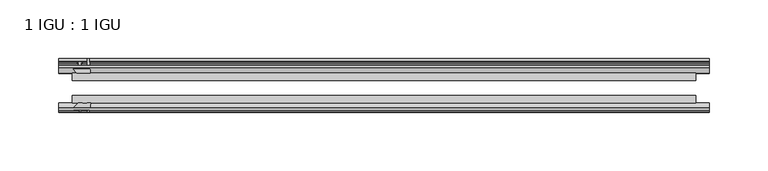
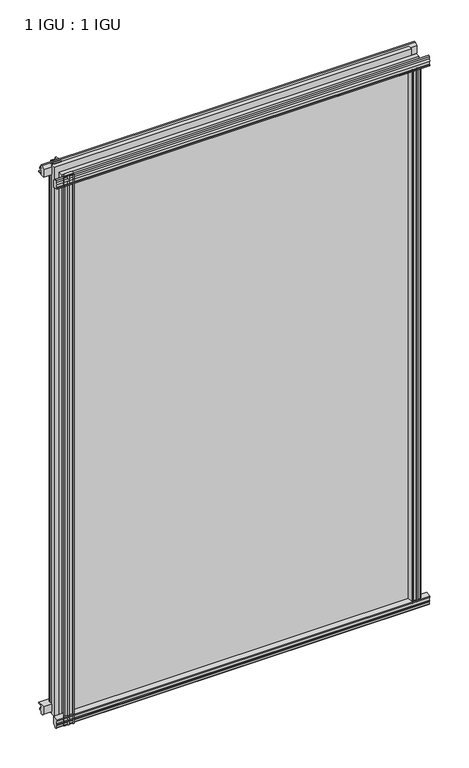
"""IFC4 building model written with IfcOpenShell, lengths in millimetres: plate geometry, 1 IGU : 1 IGU."""

from ifc_helpers import new_model, si_unit, point, frame, frame_2d, origin, origin_with_axes, place, context, project, spatial, polyline, circle_curve, trimmed, segment, composite_curve, outline, extrude, source, transform, mapped, element, save


def plate_1_igu_1_igu_4e5d2d49(model_context):
    return source(origin(), model_context, "Body", "SweptSolid", [
        extrude(outline(polyline([(-24.9039062, 2.5763839), (-12.2039062, 1.5739665), (-12.2039062, 0.0), (-18.5539062, 0.0), (-18.5539062, -4.953), (-16.254502, -5.5691235), (-16.6301757, -4.1670901), (-15.7714677, -3.937), (-15.1249062, -6.35), (-15.7714677, -8.763), (-16.6301757, -8.5329099), (-16.254502, -7.1308765), (-18.5539062, -7.747), (-18.5539062, -12.7), (-20.5859062, -12.7), (-24.9039062, -9.1036931), (-24.9039062, 2.5763839)])), frame((-278.0153585, 0.0, 0.0), z_axis=(1.0, 0.0, 0.0), x_axis=(0.0, 1.0, 0.0)), (0.0, 0.0, 1.0), 556.030717),
        extrude(outline(composite_curve([segment(polyline([(-58.2287402, 1.5687054), (-50.3039062, 3.0983599), (-50.3039062, -7.92383), (-54.4858806, -12.1058044)]), True, "CONTINUOUS"), segment(trimmed(circle_curve(frame_2d((-55.3839062, -11.2077788)), 1.27), [point((-54.4858806, -12.1058044))], [point((-56.6539062, -11.2077788))], False, "CARTESIAN"), True, "CONTINUOUS"), segment(polyline([(-56.6539062, -11.2077788), (-56.6539062, -8.0327788), (-58.1332022, -5.4488186), (-56.6539062, -5.1879788), (-56.6539062, 0.2222212), (-58.2287402, 0.0), (-58.2287402, 1.5687054)]), True, "CONTINUOUS")], self_intersect=False)), frame((-278.0153585, 0.0, 0.0), z_axis=(1.0, 0.0, 0.0), x_axis=(0.0, 1.0, 0.0)), (0.0, 0.0, 1.0), 556.030717),
        extrude(outline(polyline([(-18.5539063, 845.956525), (-16.254502, 845.3404015), (-16.6301757, 846.7424349), (-15.7714677, 846.972525), (-15.1249063, 844.559525), (-15.7714677, 842.146525), (-16.6301757, 842.3766151), (-16.254502, 843.7786485), (-18.5539063, 843.162525), (-18.5539063, 838.209525), (-12.2039062, 838.209525), (-12.2039062, 836.6355585), (-24.9039063, 835.6331411), (-24.9039063, 847.3132181), (-20.5859063, 850.909525), (-18.5539063, 850.909525), (-18.5539063, 845.956525)])), frame((-278.0153585, 0.0, 0.0), z_axis=(1.0, 0.0, 0.0), x_axis=(0.0, 1.0, 0.0)), (0.0, 0.0, 1.0), 556.030717),
        extrude(outline(composite_curve([segment(polyline([(-50.3039063, 846.133355), (-50.3039063, 835.1111651), (-58.2287402, 836.6408196), (-58.2287402, 838.209525), (-56.6539063, 837.9873038), (-56.6539063, 843.3975038), (-58.1332023, 843.6583436), (-56.6539063, 846.2423038), (-56.6539063, 849.4173038)]), True, "CONTINUOUS"), segment(trimmed(circle_curve(frame_2d((-55.3839063, 849.4173038)), 1.27), [point((-56.6539063, 849.4173038))], [point((-54.4858806, 850.3153294))], False, "CARTESIAN"), True, "CONTINUOUS"), segment(polyline([(-54.4858806, 850.3153294), (-50.3039063, 846.133355)]), True, "CONTINUOUS")], self_intersect=False)), frame((-278.0153585, 0.0, 0.0), z_axis=(1.0, 0.0, 0.0), x_axis=(0.0, 1.0, 0.0)), (0.0, 0.0, 1.0), 556.030717),
        extrude(outline(composite_curve([segment(polyline([(251.7225145, -57.3876965), (250.3551986, -50.3039063), (261.3773885, -50.3039063), (265.5593629, -54.4858806)]), True, "CONTINUOUS"), segment(trimmed(circle_curve(frame_2d((264.6613373, -55.3839062)), 1.27), [point((265.5593629, -54.4858806))], [point((264.6613373, -56.6539062))], False, "CARTESIAN"), True, "CONTINUOUS"), segment(polyline([(264.6613373, -56.6539062), (261.4863373, -56.6539063), (258.9023771, -58.1332023), (258.6415373, -56.6539063), (253.2313373, -56.6539063), (253.4535585, -58.2287402), (252.4892377, -58.2014026)]), True, "CONTINUOUS"), segment(trimmed(circle_curve(frame_2d((252.7233373, -57.2127402)), 1.016), [point((252.4892377, -58.2014026))], [point((251.7225145, -57.3876965))], False, "CARTESIAN"), True, "CONTINUOUS")], self_intersect=False)), origin_with_axes(), (0.0, 0.0, 1.0), 838.6064),
        extrude(outline(polyline([(258.4065585, -18.5539062), (259.022682, -16.254502), (257.6206486, -16.6301757), (257.3905585, -15.7714677), (259.8035585, -15.1249062), (262.2165585, -15.7714677), (261.9864684, -16.6301757), (260.584435, -16.254502), (261.2005585, -18.5539062), (266.1535585, -18.5539062), (266.1535585, -20.5859063), (262.5572516, -24.9039063), (250.8771746, -24.9039063), (251.8795919, -12.2039062), (253.4535585, -12.2039062), (253.4535585, -18.5539062), (258.4065585, -18.5539062)])), origin_with_axes(), (0.0, 0.0, 1.0), 838.6064),
        extrude(outline(composite_curve([segment(polyline([(-261.4863373, -56.6539062), (-264.6613373, -56.6539062)]), True, "CONTINUOUS"), segment(trimmed(circle_curve(frame_2d((-264.6613373, -55.3839062)), 1.27), [point((-264.6613373, -56.6539062))], [point((-265.5593629, -54.4858806))], False, "CARTESIAN"), True, "CONTINUOUS"), segment(polyline([(-265.5593629, -54.4858806), (-261.3773885, -50.3039062), (-257.707843, -50.3039062)]), True, "CONTINUOUS"), segment(trimmed(circle_curve(frame_2d((-255.6443373, -46.3669062)), 4.445), [point((-257.707843, -50.3039062))], [point((-253.5808315, -50.3039062))], True, "CARTESIAN"), True, "CONTINUOUS"), segment(polyline([(-253.5808315, -50.3039062), (-250.3551986, -50.3039062), (-251.884853, -58.2287402), (-253.4535585, -58.2287402), (-253.2313373, -56.6539062), (-258.6415373, -56.6539062), (-258.9023771, -58.1332022), (-261.4863373, -56.6539062)]), True, "CONTINUOUS")], self_intersect=False)), frame((0.0, 0.0, -12.7), z_axis=(0.0, 0.0, 1.0), x_axis=(1.0, 0.0, 0.0)), (0.0, 0.0, 1.0), 863.609525),
        extrude(outline(polyline([(-250.8771746, -24.9039062), (-262.5572516, -24.9039062), (-266.1535585, -20.5859062), (-266.1535585, -18.5539062), (-261.2005585, -18.5539062), (-260.584435, -16.254502), (-261.9864684, -16.6301757), (-262.2165585, -15.7714677), (-259.8035585, -15.1249062), (-257.3905585, -15.7714677), (-257.6206486, -16.6301757), (-259.022682, -16.254502), (-258.4065585, -18.5539062), (-253.4535585, -18.5539062), (-253.4535585, -12.2039062), (-251.8795919, -12.2039062), (-250.8771746, -24.9039062)])), frame((0.0, 0.0, -12.7), z_axis=(0.0, 0.0, 1.0), x_axis=(1.0, 0.0, 0.0)), (0.0, 0.0, 1.0), 863.609525),
        extrude(outline(polyline([(266.1535585, -24.9039062), (266.1535585, -31.2031063), (-266.1535585, -31.2031063), (-266.1535585, -24.9039062), (266.1535585, -24.9039062)])), frame((0.0, 0.0, -12.7), z_axis=(0.0, 0.0, 1.0), x_axis=(1.0, 0.0, 0.0)), (0.0, 0.0, 1.0), 863.609525),
        extrude(outline(polyline([(-266.1535585, -44.0047063), (266.1535585, -44.0047063), (266.1535585, -50.3039062), (-266.1535585, -50.3039062), (-266.1535585, -44.0047063)])), frame((0.0, 0.0, -12.7), z_axis=(0.0, 0.0, 1.0), x_axis=(1.0, 0.0, 0.0)), (0.0, 0.0, 1.0), 863.609525),
    ])


if __name__ == "__main__":
    model = new_model("IFC4")
    model_context = context("Model", 3, world=origin())
    ifc_project = project(units=[si_unit("LENGTHUNIT", "METRE", prefix="MILLI")], contexts=[model_context])
    site = spatial("IfcSite", under=ifc_project)
    building = spatial("IfcBuilding", under=site)
    placement = place(None, origin())
    plate_1_igu_1_igu_shape = plate_1_igu_1_igu_4e5d2d49(model_context)
    element("IfcPlate", 1, ObjectType="1 IGU : 1 IGU", at=placement, inside=building, context=model_context, shape_type="MappedRepresentation", body=[
        mapped(plate_1_igu_1_igu_shape, transform((0.0, 0.0, 0.0), x_axis=(1.0, 0.0, 0.0), y_axis=(0.0, 1.0, 0.0), z_axis=(0.0, 0.0, 1.0))),
    ])
    save(model, "model.ifc")
